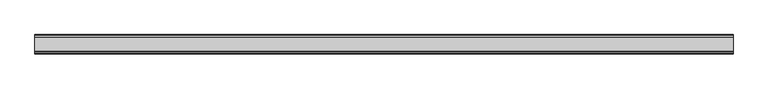
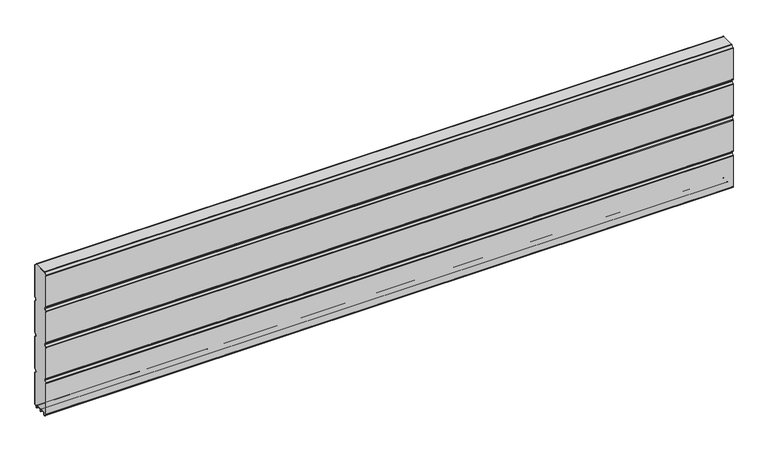
"""IFC4 building model written with IfcOpenShell, lengths in millimetres: plate geometry."""

from ifc_helpers import new_model, si_unit, point, frame, frame_2d, origin, place, context, project, spatial, polyline, circle_curve, trimmed, segment, composite_curve, outline, extrude, source, transform, mapped, element, save


def plate_ed892702(model_context):
    return source(origin(), model_context, "Body", "SweptSolid", [
        extrude(outline(composite_curve([segment(polyline([(-29.2650466, 451.7624879), (-35.7138292, 458.2112702)]), True, "CONTINUOUS"), segment(trimmed(circle_curve(frame_2d((-34.2991913, 459.6259081)), 2.0006001), [point((-35.7138292, 458.2112702))], [point((-36.2997914, 459.6259081))], False, "CARTESIAN"), True, "CONTINUOUS"), segment(polyline([(-36.2997914, 459.6259081), (-36.2997914, 588.874925)]), True, "CONTINUOUS"), segment(trimmed(circle_curve(frame_2d((-34.3025404, 588.8763112)), 1.9972515), [point((-36.2997914, 588.874925))], [point((-35.7145328, 590.2888589))], False, "CARTESIAN"), True, "CONTINUOUS"), segment(polyline([(-35.7145328, 590.2888589), (-27.7860861, 598.2141893)]), True, "CONTINUOUS"), segment(trimmed(circle_curve(frame_2d((-26.3717262, 596.7992733)), 2.0006002), [point((-27.7860861, 598.2141893))], [point((-26.3717262, 598.7998734))], False, "CARTESIAN"), True, "CONTINUOUS"), segment(polyline([(-26.3717262, 598.7998734), (26.3717262, 598.7998734)]), True, "CONTINUOUS"), segment(trimmed(circle_curve(frame_2d((26.3717262, 596.7992733)), 2.0006002), [point((26.3717262, 598.7998734))], [point((27.7860861, 598.2141893))], False, "CARTESIAN"), True, "CONTINUOUS"), segment(polyline([(27.7860861, 598.2141893), (35.7145328, 590.2888589)]), True, "CONTINUOUS"), segment(trimmed(circle_curve(frame_2d((34.3025404, 588.8763112)), 1.9972515), [point((35.7145328, 590.2888589))], [point((36.2997914, 588.874925))], False, "CARTESIAN"), True, "CONTINUOUS"), segment(polyline([(36.2997914, 588.874925), (36.2997914, 459.6259081)]), True, "CONTINUOUS"), segment(trimmed(circle_curve(frame_2d((34.2991913, 459.6259081)), 2.0006001), [point((36.2997914, 459.6259081))], [point((35.7138292, 458.2112702))], False, "CARTESIAN"), True, "CONTINUOUS"), segment(polyline([(35.7138292, 458.2112702), (29.2650466, 451.7624879)]), True, "CONTINUOUS"), segment(trimmed(circle_curve(frame_2d((31.5325895, 449.4949449)), 3.20679), [point((29.2650466, 451.7624879))], [point((29.114664, 447.3884934))], True, "CARTESIAN"), True, "CONTINUOUS"), segment(polyline([(29.114664, 447.3884934), (35.7138291, 440.7893285)]), True, "CONTINUOUS"), segment(trimmed(circle_curve(frame_2d((34.2991912, 439.3746906)), 2.0006001), [point((35.7138291, 440.7893285))], [point((36.2997913, 439.3746906))], False, "CARTESIAN"), True, "CONTINUOUS"), segment(polyline([(36.2997913, 439.3746906), (36.2997913, 309.6259081)]), True, "CONTINUOUS"), segment(trimmed(circle_curve(frame_2d((34.2991912, 309.6259081)), 2.0006001), [point((36.2997913, 309.6259081))], [point((35.7138291, 308.2112702))], False, "CARTESIAN"), True, "CONTINUOUS"), segment(polyline([(35.7138291, 308.2112702), (29.2650466, 301.7624879)]), True, "CONTINUOUS"), segment(trimmed(circle_curve(frame_2d((31.5325895, 299.4949449)), 3.20679), [point((29.2650466, 301.7624879))], [point((29.4261379, 297.0770195))], True, "CARTESIAN"), True, "CONTINUOUS"), segment(polyline([(29.4261379, 297.0770195), (35.7138291, 290.7893285)]), True, "CONTINUOUS"), segment(trimmed(circle_curve(frame_2d((34.2991912, 289.3746906)), 2.0006001), [point((35.7138291, 290.7893285))], [point((36.2997913, 289.3746906))], False, "CARTESIAN"), True, "CONTINUOUS"), segment(polyline([(36.2997913, 289.3746906), (36.2997913, 159.6246474)]), True, "CONTINUOUS"), segment(trimmed(circle_curve(frame_2d((34.2991912, 159.6246474)), 2.0006001), [point((36.2997913, 159.6246474))], [point((35.7138291, 158.2100095))], False, "CARTESIAN"), True, "CONTINUOUS"), segment(polyline([(35.7138291, 158.2100095), (29.2650466, 151.7612271)]), True, "CONTINUOUS"), segment(trimmed(circle_curve(frame_2d((31.5325895, 149.4936842)), 3.20679), [point((29.2650466, 151.7612271))], [point((29.114664, 147.3872326))], True, "CARTESIAN"), True, "CONTINUOUS"), segment(polyline([(29.114664, 147.3872326), (35.7138292, 140.7880678)]), True, "CONTINUOUS"), segment(trimmed(circle_curve(frame_2d((34.2991912, 139.3734299)), 2.0006001), [point((35.7138292, 140.7880678))], [point((36.2997914, 139.3734299))], False, "CARTESIAN"), True, "CONTINUOUS"), segment(polyline([(36.2997914, 139.3734299), (36.2997914, 10.1250796)]), True, "CONTINUOUS"), segment(trimmed(circle_curve(frame_2d((34.299192, 10.1250796)), 2.0005994), [point((36.2997914, 10.1250796))], [point((35.7138294, 8.7104422))], False, "CARTESIAN"), True, "CONTINUOUS"), segment(polyline([(35.7138294, 8.7104422), (28.7893255, 1.7859383)]), True, "CONTINUOUS"), segment(trimmed(circle_curve(frame_2d((27.3158157, 3.2594482)), 2.0838576), [point((28.7893255, 1.7859383))], [point((25.2327947, 3.2004014))], False, "CARTESIAN"), True, "CONTINUOUS"), segment(polyline([(25.2327947, 3.2004014), (25.2327947, 7.9999453)]), True, "CONTINUOUS"), segment(trimmed(circle_curve(frame_2d((22.0323933, 7.9999453)), 3.2004014), [point((25.2327947, 7.9999453))], [point((22.0323933, 11.2003467))], True, "CARTESIAN"), True, "CONTINUOUS"), segment(polyline([(22.0323933, 11.2003467), (3.1993432, 11.2003467)]), True, "CONTINUOUS"), segment(trimmed(circle_curve(frame_2d((3.1993432, 8.0010035)), 3.1993432), [point((3.1993432, 11.2003467))], [point((0.0, 8.0010035))], True, "CARTESIAN"), True, "CONTINUOUS"), segment(trimmed(circle_curve(frame_2d((-3.1993432, 8.0010035)), 3.1993432), [point((0.0, 8.0010035))], [point((-3.1993432, 11.2003467))], True, "CARTESIAN"), True, "CONTINUOUS"), segment(polyline([(-3.1993432, 11.2003467), (-22.0323933, 11.2003467)]), True, "CONTINUOUS"), segment(trimmed(circle_curve(frame_2d((-22.0323933, 7.9999453)), 3.2004014), [point((-22.0323933, 11.2003467))], [point((-25.2327947, 7.9999453))], True, "CARTESIAN"), True, "CONTINUOUS"), segment(polyline([(-25.2327947, 7.9999453), (-25.2327947, 3.2004014)]), True, "CONTINUOUS"), segment(trimmed(circle_curve(frame_2d((-27.3158157, 3.2594482)), 2.0838576), [point((-25.2327947, 3.2004014))], [point((-28.7893255, 1.7859383))], False, "CARTESIAN"), True, "CONTINUOUS"), segment(polyline([(-28.7893255, 1.7859383), (-35.7138294, 8.7104422)]), True, "CONTINUOUS"), segment(trimmed(circle_curve(frame_2d((-34.299192, 10.1250796)), 2.0005994), [point((-35.7138294, 8.7104422))], [point((-36.2997914, 10.1250796))], False, "CARTESIAN"), True, "CONTINUOUS"), segment(polyline([(-36.2997914, 10.1250796), (-36.2997914, 139.3734299)]), True, "CONTINUOUS"), segment(trimmed(circle_curve(frame_2d((-34.2991912, 139.3734299)), 2.0006001), [point((-36.2997914, 139.3734299))], [point((-35.7138292, 140.7880678))], False, "CARTESIAN"), True, "CONTINUOUS"), segment(polyline([(-35.7138292, 140.7880678), (-29.114664, 147.3872326)]), True, "CONTINUOUS"), segment(trimmed(circle_curve(frame_2d((-31.5325895, 149.4936842)), 3.20679), [point((-29.114664, 147.3872326))], [point((-29.2650466, 151.7612271))], True, "CARTESIAN"), True, "CONTINUOUS"), segment(polyline([(-29.2650466, 151.7612271), (-35.7138291, 158.2100095)]), True, "CONTINUOUS"), segment(trimmed(circle_curve(frame_2d((-34.2991912, 159.6246474)), 2.0006001), [point((-35.7138291, 158.2100095))], [point((-36.2997913, 159.6246474))], False, "CARTESIAN"), True, "CONTINUOUS"), segment(polyline([(-36.2997913, 159.6246474), (-36.2997913, 289.3746906)]), True, "CONTINUOUS"), segment(trimmed(circle_curve(frame_2d((-34.2991912, 289.3746906)), 2.0006001), [point((-36.2997913, 289.3746906))], [point((-35.7138291, 290.7893285))], False, "CARTESIAN"), True, "CONTINUOUS"), segment(polyline([(-35.7138291, 290.7893285), (-29.4261379, 297.0770195)]), True, "CONTINUOUS"), segment(trimmed(circle_curve(frame_2d((-31.5325895, 299.4949449)), 3.20679), [point((-29.4261379, 297.0770195))], [point((-29.2650466, 301.7624879))], True, "CARTESIAN"), True, "CONTINUOUS"), segment(polyline([(-29.2650466, 301.7624879), (-35.7138291, 308.2112702)]), True, "CONTINUOUS"), segment(trimmed(circle_curve(frame_2d((-34.2991912, 309.6259081)), 2.0006001), [point((-35.7138291, 308.2112702))], [point((-36.2997913, 309.6259081))], False, "CARTESIAN"), True, "CONTINUOUS"), segment(polyline([(-36.2997913, 309.6259081), (-36.2997913, 439.3746906)]), True, "CONTINUOUS"), segment(trimmed(circle_curve(frame_2d((-34.2991912, 439.3746906)), 2.0006001), [point((-36.2997913, 439.3746906))], [point((-35.7138291, 440.7893285))], False, "CARTESIAN"), True, "CONTINUOUS"), segment(polyline([(-35.7138291, 440.7893285), (-29.114664, 447.3884934)]), True, "CONTINUOUS"), segment(trimmed(circle_curve(frame_2d((-31.5325895, 449.4949449)), 3.20679), [point((-29.114664, 447.3884934))], [point((-29.2650466, 451.7624879))], True, "CARTESIAN"), True, "CONTINUOUS")], self_intersect=False)), frame((-1358.538987, 0.0, 0.0), z_axis=(1.0, 0.0, 0.0), x_axis=(0.0, 1.0, 0.0)), (0.0, 0.0, 1.0), 2717.0779741),
        extrude(outline(composite_curve([segment(trimmed(circle_curve(frame_2d((-34.299418, 588.8742584)), 3.200524), [point((-37.499942, 588.8742584))], [point((-36.5622582, 591.1376426))], False, "CARTESIAN"), True, "CONTINUOUS"), segment(polyline([(-36.5622582, 591.1376426), (-28.6355395, 599.0624563)]), True, "CONTINUOUS"), segment(trimmed(circle_curve(frame_2d((-26.3720296, 596.7984023)), 3.2014711), [point((-28.6355395, 599.0624563))], [point((-26.3720296, 599.9998734))], False, "CARTESIAN"), True, "CONTINUOUS"), segment(polyline([(-26.3720296, 599.9998734), (26.3720296, 599.9998734)]), True, "CONTINUOUS"), segment(trimmed(circle_curve(frame_2d((26.3720296, 596.7984023)), 3.2014711), [point((26.3720296, 599.9998734))], [point((28.6355395, 599.0624563))], False, "CARTESIAN"), True, "CONTINUOUS"), segment(polyline([(28.6355395, 599.0624563), (36.5622582, 591.1376426)]), True, "CONTINUOUS"), segment(trimmed(circle_curve(frame_2d((34.299418, 588.8742584)), 3.200524), [point((36.5622582, 591.1376426))], [point((37.499942, 588.8742584))], False, "CARTESIAN"), True, "CONTINUOUS"), segment(polyline([(37.499942, 588.8742584), (37.499942, 459.6259081)]), True, "CONTINUOUS"), segment(trimmed(circle_curve(frame_2d((34.3010265, 459.6259081)), 3.1989155), [point((37.499942, 459.6259081))], [point((36.5630013, 457.3639333))], False, "CARTESIAN"), True, "CONTINUOUS"), segment(polyline([(36.5630013, 457.3639333), (30.1138303, 450.9147625)]), True, "CONTINUOUS"), segment(trimmed(circle_curve(frame_2d((31.5282934, 449.5002993)), 2.000353), [point((30.1138303, 450.9147625))], [point((30.1138303, 448.0858362))], True, "CARTESIAN"), True, "CONTINUOUS"), segment(polyline([(30.1138303, 448.0858362), (36.5630013, 441.6366654)]), True, "CONTINUOUS"), segment(trimmed(circle_curve(frame_2d((34.3010265, 439.3746906)), 3.1989154), [point((36.5630013, 441.6366654))], [point((37.4999419, 439.3746906))], False, "CARTESIAN"), True, "CONTINUOUS"), segment(polyline([(37.4999419, 439.3746906), (37.4999419, 309.6259081)]), True, "CONTINUOUS"), segment(trimmed(circle_curve(frame_2d((34.3010265, 309.6259081)), 3.1989154), [point((37.4999419, 309.6259081))], [point((36.5630013, 307.3639333))], False, "CARTESIAN"), True, "CONTINUOUS"), segment(polyline([(36.5630013, 307.3639333), (30.1138303, 300.9147625)]), True, "CONTINUOUS"), segment(trimmed(circle_curve(frame_2d((31.5282934, 299.5002993)), 2.000353), [point((30.1138303, 300.9147625))], [point((30.1138303, 298.0858362))], True, "CARTESIAN"), True, "CONTINUOUS"), segment(polyline([(30.1138303, 298.0858362), (36.5630013, 291.6366654)]), True, "CONTINUOUS"), segment(trimmed(circle_curve(frame_2d((34.3010265, 289.3746906)), 3.1989154), [point((36.5630013, 291.6366654))], [point((37.4999419, 289.3746906))], False, "CARTESIAN"), True, "CONTINUOUS"), segment(polyline([(37.4999419, 289.3746906), (37.4999419, 159.6246474)]), True, "CONTINUOUS"), segment(trimmed(circle_curve(frame_2d((34.3010265, 159.6246474)), 3.1989154), [point((37.4999419, 159.6246474))], [point((36.5630013, 157.3626726))], False, "CARTESIAN"), True, "CONTINUOUS"), segment(polyline([(36.5630013, 157.3626726), (30.1138303, 150.9135018)]), True, "CONTINUOUS"), segment(trimmed(circle_curve(frame_2d((31.5282934, 149.4990386)), 2.000353), [point((30.1138303, 150.9135018))], [point((30.1138303, 148.0845755))], True, "CARTESIAN"), True, "CONTINUOUS"), segment(polyline([(30.1138303, 148.0845755), (36.5630013, 141.6354046)]), True, "CONTINUOUS"), segment(trimmed(circle_curve(frame_2d((34.3010265, 139.3734298)), 3.1989154), [point((36.5630013, 141.6354046))], [point((37.4999419, 139.3734298))], False, "CARTESIAN"), True, "CONTINUOUS"), segment(polyline([(37.4999419, 139.3734298), (37.4999419, 10.1250796)]), True, "CONTINUOUS"), segment(trimmed(circle_curve(frame_2d((34.3010265, 10.1250796)), 3.1989154), [point((37.4999419, 10.1250796))], [point((36.5630004, 7.8631039))], False, "CARTESIAN"), True, "CONTINUOUS"), segment(polyline([(36.5630004, 7.8631039), (29.6332576, 0.9333666)]), True, "CONTINUOUS"), segment(trimmed(circle_curve(frame_2d((27.311397, 3.255229)), 3.283608), [point((29.6332576, 0.9333666))], [point((24.0283217, 3.1960843))], False, "CARTESIAN"), True, "CONTINUOUS"), segment(polyline([(24.0283217, 3.1960843), (24.0326442, 7.9999453)]), True, "CONTINUOUS"), segment(trimmed(circle_curve(frame_2d((22.0341915, 8.0017435)), 1.9984535), [point((24.0326442, 7.9999453))], [point((22.0323933, 10.0001962))], True, "CARTESIAN"), True, "CONTINUOUS"), segment(polyline([(22.0323933, 10.0001962), (3.1993432, 10.0001962)]), True, "CONTINUOUS"), segment(trimmed(circle_curve(frame_2d((3.1993432, 8.0010035)), 1.9991927), [point((3.1993432, 10.0001962))], [point((1.2001505, 8.0010035))], True, "CARTESIAN"), True, "CONTINUOUS"), segment(polyline([(1.2001505, 8.0010035), (1.2001504, 0.0), (0.0, 0.0), (-1.2001504, 0.0), (-1.2001504, 8.0010034)]), True, "CONTINUOUS"), segment(trimmed(circle_curve(frame_2d((-3.1993432, 8.0010035)), 1.9991928), [point((-1.2001504, 8.0010034))], [point((-3.1993432, 10.0001963))], True, "CARTESIAN"), True, "CONTINUOUS"), segment(polyline([(-3.1993432, 10.0001963), (-22.0323933, 10.0001962)]), True, "CONTINUOUS"), segment(trimmed(circle_curve(frame_2d((-22.0341915, 8.0017435)), 1.9984535), [point((-22.0323933, 10.0001962))], [point((-24.0326442, 7.9999453))], True, "CARTESIAN"), True, "CONTINUOUS"), segment(polyline([(-24.0326442, 7.9999453), (-24.0283217, 3.1960843)]), True, "CONTINUOUS"), segment(trimmed(circle_curve(frame_2d((-27.311397, 3.255229)), 3.283608), [point((-24.0283217, 3.1960843))], [point((-29.6332576, 0.9333666))], False, "CARTESIAN"), True, "CONTINUOUS"), segment(polyline([(-29.6332576, 0.9333666), (-36.5630004, 7.8631039)]), True, "CONTINUOUS"), segment(trimmed(circle_curve(frame_2d((-34.3010265, 10.1250796)), 3.1989154), [point((-36.5630004, 7.8631039))], [point((-37.4999419, 10.1250796))], False, "CARTESIAN"), True, "CONTINUOUS"), segment(polyline([(-37.4999419, 10.1250796), (-37.4999419, 139.3734298)]), True, "CONTINUOUS"), segment(trimmed(circle_curve(frame_2d((-34.3010265, 139.3734298)), 3.1989154), [point((-37.4999419, 139.3734298))], [point((-36.5630013, 141.6354046))], False, "CARTESIAN"), True, "CONTINUOUS"), segment(polyline([(-36.5630013, 141.6354046), (-30.1138303, 148.0845755)]), True, "CONTINUOUS"), segment(trimmed(circle_curve(frame_2d((-31.5282934, 149.4990386)), 2.000353), [point((-30.1138303, 148.0845755))], [point((-30.1138303, 150.9135018))], True, "CARTESIAN"), True, "CONTINUOUS"), segment(polyline([(-30.1138303, 150.9135018), (-36.5630013, 157.3626726)]), True, "CONTINUOUS"), segment(trimmed(circle_curve(frame_2d((-34.3010265, 159.6246474)), 3.1989154), [point((-36.5630013, 157.3626726))], [point((-37.4999419, 159.6246474))], False, "CARTESIAN"), True, "CONTINUOUS"), segment(polyline([(-37.4999419, 159.6246474), (-37.4999419, 289.3746906)]), True, "CONTINUOUS"), segment(trimmed(circle_curve(frame_2d((-34.3010265, 289.3746906)), 3.1989154), [point((-37.4999419, 289.3746906))], [point((-36.5630013, 291.6366653))], False, "CARTESIAN"), True, "CONTINUOUS"), segment(polyline([(-36.5630013, 291.6366653), (-30.1138303, 298.0858362)]), True, "CONTINUOUS"), segment(trimmed(circle_curve(frame_2d((-31.5282934, 299.5002993)), 2.000353), [point((-30.1138303, 298.0858362))], [point((-30.1138303, 300.9147625))], True, "CARTESIAN"), True, "CONTINUOUS"), segment(polyline([(-30.1138303, 300.9147625), (-36.5630013, 307.3639333)]), True, "CONTINUOUS"), segment(trimmed(circle_curve(frame_2d((-34.3010265, 309.6259081)), 3.1989154), [point((-36.5630013, 307.3639333))], [point((-37.4999419, 309.6259081))], False, "CARTESIAN"), True, "CONTINUOUS"), segment(polyline([(-37.4999419, 309.6259081), (-37.4999419, 439.3746906)]), True, "CONTINUOUS"), segment(trimmed(circle_curve(frame_2d((-34.3010265, 439.3746906)), 3.1989154), [point((-37.4999419, 439.3746906))], [point((-36.5630013, 441.6366653))], False, "CARTESIAN"), True, "CONTINUOUS"), segment(polyline([(-36.5630013, 441.6366653), (-30.1138303, 448.0858362)]), True, "CONTINUOUS"), segment(trimmed(circle_curve(frame_2d((-31.5282934, 449.5002993)), 2.000353), [point((-30.1138303, 448.0858362))], [point((-30.1138303, 450.9147625))], True, "CARTESIAN"), True, "CONTINUOUS"), segment(polyline([(-30.1138303, 450.9147625), (-36.5630013, 457.3639333)]), True, "CONTINUOUS"), segment(trimmed(circle_curve(frame_2d((-34.3010265, 459.6259081)), 3.1989155), [point((-36.5630013, 457.3639333))], [point((-37.499942, 459.6259081))], False, "CARTESIAN"), True, "CONTINUOUS"), segment(polyline([(-37.499942, 459.6259081), (-37.499942, 588.8742584)]), True, "CONTINUOUS")], self_intersect=False), holes=[composite_curve([segment(trimmed(circle_curve(frame_2d((-31.5325895, 449.4949449)), 3.20679), [point((-29.2650466, 451.7624879))], [point((-29.114664, 447.3884934))], False, "CARTESIAN"), True, "CONTINUOUS"), segment(polyline([(-29.114664, 447.3884934), (-35.7138291, 440.7893285)]), True, "CONTINUOUS"), segment(trimmed(circle_curve(frame_2d((-34.2991912, 439.3746906)), 2.0006001), [point((-35.7138291, 440.7893285))], [point((-36.2997913, 439.3746906))], True, "CARTESIAN"), True, "CONTINUOUS"), segment(polyline([(-36.2997913, 439.3746906), (-36.2997913, 309.6259081)]), True, "CONTINUOUS"), segment(trimmed(circle_curve(frame_2d((-34.2991912, 309.6259081)), 2.0006001), [point((-36.2997913, 309.6259081))], [point((-35.7138291, 308.2112702))], True, "CARTESIAN"), True, "CONTINUOUS"), segment(polyline([(-35.7138291, 308.2112702), (-29.2650466, 301.7624879)]), True, "CONTINUOUS"), segment(trimmed(circle_curve(frame_2d((-31.5325895, 299.4949449)), 3.20679), [point((-29.2650466, 301.7624879))], [point((-29.4261379, 297.0770195))], False, "CARTESIAN"), True, "CONTINUOUS"), segment(polyline([(-29.4261379, 297.0770195), (-35.7138291, 290.7893285)]), True, "CONTINUOUS"), segment(trimmed(circle_curve(frame_2d((-34.2991912, 289.3746906)), 2.0006001), [point((-35.7138291, 290.7893285))], [point((-36.2997913, 289.3746906))], True, "CARTESIAN"), True, "CONTINUOUS"), segment(polyline([(-36.2997913, 289.3746906), (-36.2997913, 159.6246474)]), True, "CONTINUOUS"), segment(trimmed(circle_curve(frame_2d((-34.2991912, 159.6246474)), 2.0006001), [point((-36.2997913, 159.6246474))], [point((-35.7138291, 158.2100095))], True, "CARTESIAN"), True, "CONTINUOUS"), segment(polyline([(-35.7138291, 158.2100095), (-29.2650466, 151.7612271)]), True, "CONTINUOUS"), segment(trimmed(circle_curve(frame_2d((-31.5325895, 149.4936842)), 3.20679), [point((-29.2650466, 151.7612271))], [point((-29.114664, 147.3872326))], False, "CARTESIAN"), True, "CONTINUOUS"), segment(polyline([(-29.114664, 147.3872326), (-35.7138292, 140.7880677)]), True, "CONTINUOUS"), segment(trimmed(circle_curve(frame_2d((-34.2991912, 139.3734298)), 2.0006001), [point((-35.7138292, 140.7880677))], [point((-36.2997914, 139.3734298))], True, "CARTESIAN"), True, "CONTINUOUS"), segment(polyline([(-36.2997914, 139.3734298), (-36.2997914, 10.1250796)]), True, "CONTINUOUS"), segment(trimmed(circle_curve(frame_2d((-34.299192, 10.1250796)), 2.0005994), [point((-36.2997914, 10.1250796))], [point((-35.7138294, 8.7104422))], True, "CARTESIAN"), True, "CONTINUOUS"), segment(polyline([(-35.7138294, 8.7104422), (-28.7893255, 1.7859383)]), True, "CONTINUOUS"), segment(trimmed(circle_curve(frame_2d((-27.3158157, 3.2594482)), 2.0838576), [point((-28.7893255, 1.7859383))], [point((-25.2327947, 3.2004014))], True, "CARTESIAN"), True, "CONTINUOUS"), segment(polyline([(-25.2327947, 3.2004014), (-25.2327947, 7.9999453)]), True, "CONTINUOUS"), segment(trimmed(circle_curve(frame_2d((-22.0323933, 7.9999453)), 3.2004014), [point((-25.2327947, 7.9999453))], [point((-22.0323933, 11.2003467))], False, "CARTESIAN"), True, "CONTINUOUS"), segment(polyline([(-22.0323933, 11.2003467), (-3.1993432, 11.2003467)]), True, "CONTINUOUS"), segment(trimmed(circle_curve(frame_2d((-3.1993432, 8.0010035)), 3.1993432), [point((-3.1993432, 11.2003467))], [point((0.0, 8.0010035))], False, "CARTESIAN"), True, "CONTINUOUS"), segment(trimmed(circle_curve(frame_2d((3.1993432, 8.0010035)), 3.1993432), [point((0.0, 8.0010035))], [point((3.1993432, 11.2003467))], False, "CARTESIAN"), True, "CONTINUOUS"), segment(polyline([(3.1993432, 11.2003467), (22.0323933, 11.2003467)]), True, "CONTINUOUS"), segment(trimmed(circle_curve(frame_2d((22.0323933, 7.9999453)), 3.2004014), [point((22.0323933, 11.2003467))], [point((25.2327947, 7.9999453))], False, "CARTESIAN"), True, "CONTINUOUS"), segment(polyline([(25.2327947, 7.9999453), (25.2327947, 3.2004014)]), True, "CONTINUOUS"), segment(trimmed(circle_curve(frame_2d((27.3158157, 3.2594482)), 2.0838576), [point((25.2327947, 3.2004014))], [point((28.7893255, 1.7859383))], True, "CARTESIAN"), True, "CONTINUOUS"), segment(polyline([(28.7893255, 1.7859383), (35.7138294, 8.7104422)]), True, "CONTINUOUS"), segment(trimmed(circle_curve(frame_2d((34.299192, 10.1250796)), 2.0005994), [point((35.7138294, 8.7104422))], [point((36.2997914, 10.1250796))], True, "CARTESIAN"), True, "CONTINUOUS"), segment(polyline([(36.2997914, 10.1250796), (36.2997914, 139.3734298)]), True, "CONTINUOUS"), segment(trimmed(circle_curve(frame_2d((34.2991912, 139.3734298)), 2.0006001), [point((36.2997914, 139.3734298))], [point((35.7138292, 140.7880678))], True, "CARTESIAN"), True, "CONTINUOUS"), segment(polyline([(35.7138292, 140.7880678), (29.114664, 147.3872326)]), True, "CONTINUOUS"), segment(trimmed(circle_curve(frame_2d((31.5325895, 149.4936842)), 3.20679), [point((29.114664, 147.3872326))], [point((29.2650466, 151.7612271))], False, "CARTESIAN"), True, "CONTINUOUS"), segment(polyline([(29.2650466, 151.7612271), (35.7138291, 158.2100095)]), True, "CONTINUOUS"), segment(trimmed(circle_curve(frame_2d((34.2991912, 159.6246474)), 2.0006001), [point((35.7138291, 158.2100095))], [point((36.2997913, 159.6246474))], True, "CARTESIAN"), True, "CONTINUOUS"), segment(polyline([(36.2997913, 159.6246474), (36.2997913, 289.3746906)]), True, "CONTINUOUS"), segment(trimmed(circle_curve(frame_2d((34.2991912, 289.3746906)), 2.0006001), [point((36.2997913, 289.3746906))], [point((35.7138291, 290.7893285))], True, "CARTESIAN"), True, "CONTINUOUS"), segment(polyline([(35.7138291, 290.7893285), (29.4261379, 297.0770195)]), True, "CONTINUOUS"), segment(trimmed(circle_curve(frame_2d((31.5325895, 299.4949449)), 3.20679), [point((29.4261379, 297.0770195))], [point((29.2650466, 301.7624879))], False, "CARTESIAN"), True, "CONTINUOUS"), segment(polyline([(29.2650466, 301.7624879), (35.7138291, 308.2112702)]), True, "CONTINUOUS"), segment(trimmed(circle_curve(frame_2d((34.2991912, 309.6259081)), 2.0006001), [point((35.7138291, 308.2112702))], [point((36.2997913, 309.6259081))], True, "CARTESIAN"), True, "CONTINUOUS"), segment(polyline([(36.2997913, 309.6259081), (36.2997913, 439.3746906)]), True, "CONTINUOUS"), segment(trimmed(circle_curve(frame_2d((34.2991912, 439.3746906)), 2.0006001), [point((36.2997913, 439.3746906))], [point((35.7138291, 440.7893285))], True, "CARTESIAN"), True, "CONTINUOUS"), segment(polyline([(35.7138291, 440.7893285), (29.114664, 447.3884934)]), True, "CONTINUOUS"), segment(trimmed(circle_curve(frame_2d((31.5325895, 449.4949449)), 3.20679), [point((29.114664, 447.3884934))], [point((29.2650466, 451.7624879))], False, "CARTESIAN"), True, "CONTINUOUS"), segment(polyline([(29.2650466, 451.7624879), (35.7138292, 458.2112702)]), True, "CONTINUOUS"), segment(trimmed(circle_curve(frame_2d((34.2991913, 459.6259081)), 2.0006001), [point((35.7138292, 458.2112702))], [point((36.2997914, 459.6259081))], True, "CARTESIAN"), True, "CONTINUOUS"), segment(polyline([(36.2997914, 459.6259081), (36.2997914, 588.874925)]), True, "CONTINUOUS"), segment(trimmed(circle_curve(frame_2d((34.3025404, 588.8763112)), 1.9972515), [point((36.2997914, 588.874925))], [point((35.7145328, 590.2888589))], True, "CARTESIAN"), True, "CONTINUOUS"), segment(polyline([(35.7145328, 590.2888589), (27.7860861, 598.2141893)]), True, "CONTINUOUS"), segment(trimmed(circle_curve(frame_2d((26.3717262, 596.7992733)), 2.0006002), [point((27.7860861, 598.2141893))], [point((26.3717262, 598.7998734))], True, "CARTESIAN"), True, "CONTINUOUS"), segment(polyline([(26.3717262, 598.7998734), (-26.3717262, 598.7998734)]), True, "CONTINUOUS"), segment(trimmed(circle_curve(frame_2d((-26.3717262, 596.7992733)), 2.0006002), [point((-26.3717262, 598.7998734))], [point((-27.7860861, 598.2141893))], True, "CARTESIAN"), True, "CONTINUOUS"), segment(polyline([(-27.7860861, 598.2141893), (-35.7145328, 590.2888589)]), True, "CONTINUOUS"), segment(trimmed(circle_curve(frame_2d((-34.3025404, 588.8763112)), 1.9972515), [point((-35.7145328, 590.2888589))], [point((-36.2997914, 588.874925))], True, "CARTESIAN"), True, "CONTINUOUS"), segment(polyline([(-36.2997914, 588.874925), (-36.2997914, 459.6259081)]), True, "CONTINUOUS"), segment(trimmed(circle_curve(frame_2d((-34.2991913, 459.6259081)), 2.0006001), [point((-36.2997914, 459.6259081))], [point((-35.7138292, 458.2112702))], True, "CARTESIAN"), True, "CONTINUOUS"), segment(polyline([(-35.7138292, 458.2112702), (-29.2650466, 451.7624879)]), True, "CONTINUOUS")], self_intersect=False)]), frame((-1358.538987, 0.0, 0.0), z_axis=(1.0, 0.0, 0.0), x_axis=(0.0, 1.0, 0.0)), (0.0, 0.0, 1.0), 2717.0779741),
    ])


if __name__ == "__main__":
    model = new_model("IFC4")
    model_context = context("Model", 3, world=origin())
    ifc_project = project(units=[si_unit("LENGTHUNIT", "METRE", prefix="MILLI")], contexts=[model_context])
    site = spatial("IfcSite", under=ifc_project)
    building = spatial("IfcBuilding", under=site)
    placement = place(None, origin())
    plate_shape = plate_ed892702(model_context)
    element("IfcPlate", 1, at=placement, inside=building, context=model_context, shape_type="MappedRepresentation", body=[
        mapped(plate_shape, transform((0.0, 0.0, 0.0), x_axis=(1.0, 0.0, 0.0), y_axis=(0.0, 1.0, 0.0), z_axis=(0.0, 0.0, 1.0))),
    ])
    save(model, "model.ifc")
